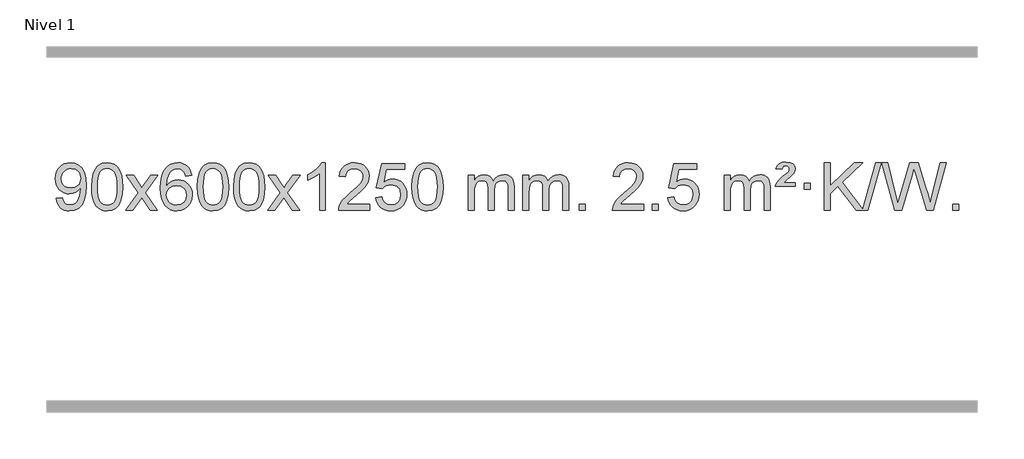
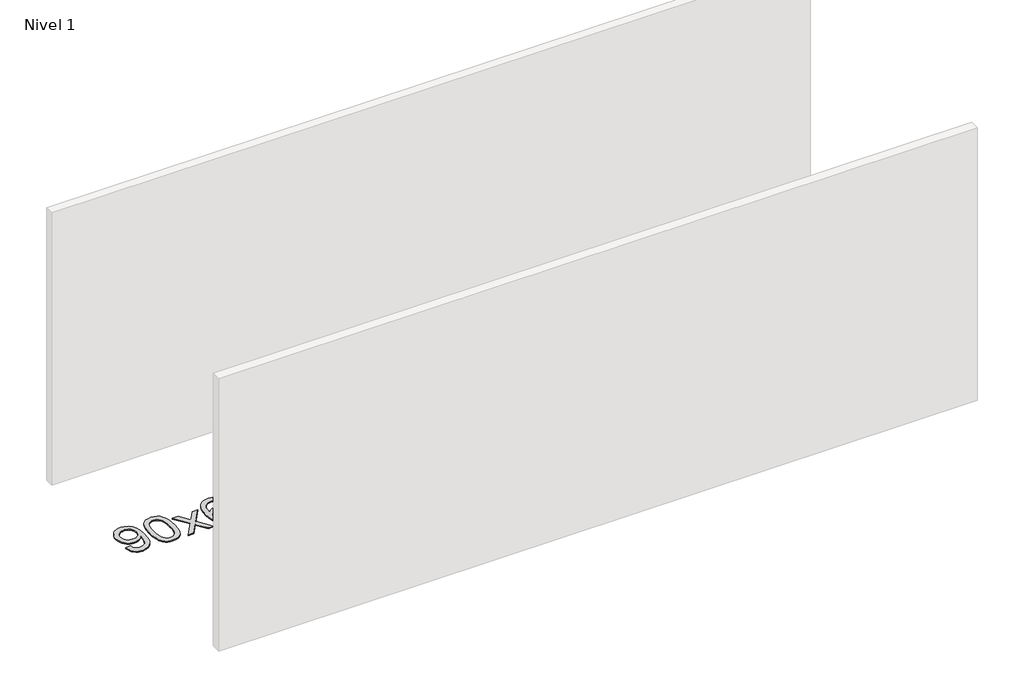
# One storey, part 5 of 9: 1 proxy.
"""IFC4 building model written with IfcOpenShell, lengths in millimetres."""

from ifc_helpers import new_model, si_unit, origin, origin_with_axes, place, context, project, spatial, polyline, outline, extrude, element, save

model = new_model("IFC4")

# Units and contexts
model_context = context("Model", 3, world=origin())
ifc_project = project(units=[si_unit("LENGTHUNIT", "METRE", prefix="MILLI")], contexts=[model_context])

# Site, building, storey
site = spatial("IfcSite", under=ifc_project)
building = spatial("IfcBuilding", under=site)
storey = spatial("IfcBuildingStorey", under=building, Name="Nivel 1", Elevation=0.0)

# Proxy
placement = place(None, origin())
element("IfcBuildingElementProxy", 1, Name="Texto de modelo 1", ObjectType="Texto de modelo 1", at=placement, inside=storey, context=model_context, shape_type="SweptSolid", body=[
    extrude(outline(polyline([(-6449.8911911, -9299.1231428), (-6399.663036, -9292.8446235), (-6391.0791228, -9321.3554781), (-6377.099607, -9340.7673847), (-6358.0678451, -9351.9142092), (-6334.3271937, -9355.6298173), (-6313.0268261, -9353.2385843), (-6293.6639705, -9346.0648854), (-6277.5752645, -9334.8935355), (-6266.0973463, -9320.5093495), (-6249.6652838, -9276.8540194), (-6244.2206303, -9248.4535294), (-6242.4057458, -9218.5815114), (-6242.7000514, -9208.7713248), (-6260.1008698, -9230.0103787), (-6282.8727653, -9246.8348486), (-6309.3725317, -9257.7977321), (-6337.9569627, -9261.4520265), (-6361.8171757, -9259.2202091), (-6383.7582711, -9252.5247568), (-6403.7802487, -9241.3656696), (-6421.8831085, -9225.7429475), (-6436.8834969, -9206.4720624), (-6447.59806, -9184.3684858), (-6454.0267978, -9159.4322179), (-6456.1697105, -9131.6632586), (-6453.9225646, -9102.968463), (-6447.181127, -9077.2167234), (-6435.9453978, -9054.4080397), (-6420.2153768, -9034.5424119), (-6401.1008415, -9018.4475746), (-6379.7115691, -9006.9512623), (-6356.0475598, -9000.0534749), (-6330.1088134, -8997.7542124), (-6292.6461636, -9003.0026622), (-6258.5435027, -9018.7480116), (-6230.0203853, -9044.2054457), (-6209.2963662, -9078.5901495), (-6196.6780138, -9126.1205032), (-6192.4718963, -9191.0148872), (-6196.6657511, -9259.821083), (-6209.2473153, -9313.0045568), (-6230.1062244, -9352.9688042), (-6243.5982966, -9368.8950289), (-6259.1321138, -9382.117321), (-6276.3949765, -9392.503856), (-6295.0741848, -9399.9228095), (-6336.6816384, -9405.8579724), (-6359.2389361, -9404.1074672), (-6379.62573, -9398.8559517), (-6397.8420201, -9390.1034259), (-6413.8878065, -9377.8498898), (-6427.3584189, -9362.4264372), (-6437.8491871, -9344.1641618), (-6445.3601112, -9323.0630637), (-6449.8911911, -9299.1231428)]), holes=[polyline([(-6242.7000514, -9130.4860363), (-6248.1201795, -9096.444689), (-6254.8953395, -9082.3670713), (-6264.3805636, -9070.2514909), (-6276.1098679, -9060.5087494), (-6289.6172685, -9053.5496483), (-6321.9663586, -9047.9823675), (-6339.5756435, -9049.4814866), (-6355.5171966, -9053.978844), (-6369.791018, -9061.4744396), (-6382.3971077, -9071.9682736), (-6392.6978036, -9084.8472091), (-6400.0554435, -9099.4981095), (-6404.4700274, -9115.9209749), (-6405.9415554, -9134.1158053), (-6400.3742745, -9165.1527829), (-6393.4151735, -9178.2708417), (-6383.6724319, -9189.7886139), (-6371.5507202, -9199.1665391), (-6357.4547084, -9205.8650571), (-6323.3397847, -9211.2238715), (-6291.248212, -9205.8650571), (-6265.4106332, -9189.7886139), (-6255.4747537, -9178.0439812), (-6248.3776969, -9164.2453407), (-6242.7000514, -9130.4860363)])]), origin_with_axes(), (0.0, 0.0, 1.0), 10.0),
    extrude(outline(polyline([(-6148.5222606, -9201.9041943), (-6144.8311779, -9137.5861588), (-6133.7579299, -9086.2911459), (-6115.4128811, -9047.2343407), (-6103.5548181, -9032.0009605), (-6089.9063961, -9019.6309284), (-6074.4216298, -9010.0598651), (-6057.0545339, -9003.2233914), (-6016.6733536, -8997.7542124), (-5985.722215, -9000.991574), (-5958.0084381, -9010.7036586), (-5934.8318724, -9026.5103217), (-5917.4923677, -9048.0314184), (-5904.3957686, -9075.0830078), (-5893.94792, -9107.4811488), (-5887.1053149, -9148.6226186), (-5884.8244465, -9201.9041943), (-5888.478741, -9265.8543477), (-5899.4416244, -9317.0267333), (-5917.6763087, -9356.1203266), (-5929.5067805, -9371.3996922), (-5943.1460055, -9383.8341036), (-5958.6491659, -9393.4695462), (-5976.071444, -9400.3520052), (-6016.6733536, -9405.8579724), (-6044.3380796, -9403.4667394), (-6068.8635459, -9396.2930405), (-6090.2497526, -9384.3368757), (-6108.4966996, -9367.5982449), (-6126.0078825, -9337.3399508), (-6138.5158704, -9299.6381776), (-6146.0206631, -9254.4929255), (-6148.5222606, -9201.9041943)]), holes=[polyline([(-6098.2941056, -9201.8060924), (-6096.8225776, -9245.4706195), (-6092.4079936, -9280.8148822), (-6085.0503537, -9307.8388804), (-6074.7496579, -9326.5426142), (-6062.290721, -9339.2682656), (-6048.4583579, -9348.3580165), (-6033.2525688, -9353.8118671), (-6016.6733536, -9355.6298173), (-6000.0941383, -9353.8057357), (-5984.8883492, -9348.3334911), (-5971.0559862, -9339.2130833), (-5958.5970493, -9326.4445124), (-5948.2963534, -9307.7101217), (-5940.9387135, -9280.6922549), (-5936.5241295, -9245.3909118), (-5935.0526016, -9201.8060924), (-5936.4750786, -9159.2973278), (-5940.7425098, -9124.5753989), (-5947.854895, -9097.6403055), (-5957.8122343, -9078.4920476), (-5970.0627048, -9065.1440625), (-5984.0544833, -9055.6097875), (-5999.78757, -9049.8892225), (-6017.2619648, -9047.9823675), (-6033.7553409, -9049.6623619), (-6048.7036126, -9054.7023452), (-6062.10678, -9063.1023175), (-6073.9648429, -9074.8622786), (-6084.6088953, -9095.708925), (-6092.2117899, -9123.8151094), (-6096.7735266, -9159.1808319), (-6098.2941056, -9201.8060924)])]), origin_with_axes(), (0.0, 0.0, 1.0), 10.0),
    extrude(outline(polyline([(-5859.7103689, -9399.579453), (-5752.3869282, -9251.2494325), (-5853.4318496, -9104.4890419), (-5793.0011005, -9104.4890419), (-5744.2444734, -9175.122385), (-5721.4848406, -9208.4770192), (-5701.7663657, -9181.2047007), (-5646.2407099, -9104.4890419), (-5585.8099608, -9104.4890419), (-5691.9561791, -9251.2494325), (-5589.7340354, -9399.579453), (-5650.1647845, -9399.579453), (-5711.6746541, -9310.4048574), (-5722.9563686, -9294.1199477), (-5799.2796199, -9399.579453), (-5859.7103689, -9399.579453)])), origin_with_axes(), (0.0, 0.0, 1.0), 10.0),
    extrude(outline(polyline([(-5300.9221437, -9104.4890419), (-5351.1502988, -9110.7675613), (-5359.2437027, -9085.874213), (-5370.1820607, -9068.8780648), (-5392.9662189, -9053.2062918), (-5420.5083176, -9047.9823675), (-5443.8565616, -9051.0235253), (-5465.8313794, -9060.1469988), (-5484.7037258, -9079.3627017), (-5500.1179814, -9105.8134171), (-5510.5290419, -9143.227016), (-5514.3918028, -9195.3313693), (-5494.2441322, -9171.8237098), (-5470.0988106, -9155.2567573), (-5443.3047386, -9145.434308), (-5415.2108169, -9142.1601582), (-5391.077758, -9144.398107), (-5368.8086346, -9151.1119534), (-5348.4034466, -9162.3016975), (-5329.862194, -9177.9673391), (-5314.4540698, -9197.1769106), (-5303.4482668, -9218.9984443), (-5296.844785, -9243.4319401), (-5294.6436244, -9270.4773982), (-5298.7884282, -9306.4439945), (-5311.2228396, -9339.786366), (-5330.9167891, -9368.0642287), (-5356.840207, -9388.8372987), (-5387.815871, -9401.602804), (-5422.6665587, -9405.8579724), (-5452.6090874, -9403.0375437), (-5479.6514797, -9394.5762579), (-5503.7937357, -9380.4741147), (-5525.0358552, -9360.7311143), (-5542.3539001, -9334.5133908), (-5554.7239322, -9300.9870783), (-5562.1459515, -9260.1521768), (-5564.6199579, -9212.0086864), (-5561.8731057, -9158.0342663), (-5553.632549, -9111.9693092), (-5539.8982878, -9073.8138149), (-5520.6703222, -9043.5677835), (-5499.8298072, -9023.5243462), (-5475.6660915, -9009.2076052), (-5448.179175, -9000.6175606), (-5417.3690579, -8997.7542124), (-5394.2354118, -8999.5261773), (-5373.2967949, -9004.8420722), (-5354.5532073, -9013.7018969), (-5338.0046489, -9026.1056515), (-5324.0987094, -9041.6364031), (-5313.2829788, -9059.8772186), (-5305.5574569, -9080.8280983), (-5300.9221437, -9104.4890419)]), holes=[polyline([(-5514.3918028, -9269.6925832), (-5511.485535, -9291.9494439), (-5502.7667318, -9313.2007605), (-5489.2286743, -9331.472233), (-5471.8646442, -9344.7895612), (-5450.9076332, -9352.9197533), (-5426.5906333, -9355.6298173), (-5393.4444655, -9350.0134855), (-5379.5293291, -9342.9930708), (-5367.3861575, -9333.1644901), (-5357.5361171, -9320.9262824), (-5350.500374, -9306.6769865), (-5344.8717794, -9272.1451299), (-5350.4267976, -9238.9989621), (-5357.3705702, -9225.3781312), (-5367.0918519, -9213.725469), (-5379.2718117, -9204.3904634), (-5393.5916183, -9197.7226022), (-5428.6507725, -9192.3883133), (-5461.7478893, -9197.7226022), (-5489.4248781, -9213.725469), (-5500.3479076, -9225.2248471), (-5508.1500716, -9238.3858254), (-5512.83137, -9253.2084042), (-5514.3918028, -9269.6925832)])]), origin_with_axes(), (0.0, 0.0, 1.0), 10.0),
    extrude(outline(polyline([(-5250.6939887, -9201.9041943), (-5247.002906, -9137.5861588), (-5235.9296579, -9086.2911459), (-5217.5846091, -9047.2343407), (-5205.7265461, -9032.0009605), (-5192.0781241, -9019.6309284), (-5176.5933578, -9010.0598651), (-5159.2262619, -9003.2233914), (-5118.8450816, -8997.7542124), (-5087.8939431, -9000.991574), (-5060.1801661, -9010.7036586), (-5037.0036004, -9026.5103217), (-5019.6640957, -9048.0314184), (-5006.5674967, -9075.0830078), (-4996.119648, -9107.4811488), (-4989.2770429, -9148.6226186), (-4986.9961745, -9201.9041943), (-4990.650469, -9265.8543477), (-5001.6133525, -9317.0267333), (-5019.8480367, -9356.1203266), (-5031.6785085, -9371.3996922), (-5045.3177335, -9383.8341036), (-5060.8208939, -9393.4695462), (-5078.2431721, -9400.3520052), (-5118.8450816, -9405.8579724), (-5146.5098076, -9403.4667394), (-5171.035274, -9396.2930405), (-5192.4214806, -9384.3368757), (-5210.6684276, -9367.5982449), (-5228.1796106, -9337.3399508), (-5240.6875984, -9299.6381776), (-5248.1923911, -9254.4929255), (-5250.6939887, -9201.9041943)]), holes=[polyline([(-5200.4658336, -9201.8060924), (-5198.9943056, -9245.4706195), (-5194.5797217, -9280.8148822), (-5187.2220818, -9307.8388804), (-5176.9213859, -9326.5426142), (-5164.462449, -9339.2682656), (-5150.630086, -9348.3580165), (-5135.4242968, -9353.8118671), (-5118.8450816, -9355.6298173), (-5102.2658663, -9353.8057357), (-5087.0600772, -9348.3334911), (-5073.2277142, -9339.2130833), (-5060.7687773, -9326.4445124), (-5050.4680814, -9307.7101217), (-5043.1104415, -9280.6922549), (-5038.6958576, -9245.3909118), (-5037.2243296, -9201.8060924), (-5038.6468066, -9159.2973278), (-5042.9142378, -9124.5753989), (-5050.026623, -9097.6403055), (-5059.9839624, -9078.4920476), (-5072.2344328, -9065.1440625), (-5086.2262114, -9055.6097875), (-5101.959298, -9049.8892225), (-5119.4336928, -9047.9823675), (-5135.9270689, -9049.6623619), (-5150.8753406, -9054.7023452), (-5164.278508, -9063.1023175), (-5176.136571, -9074.8622786), (-5186.7806234, -9095.708925), (-5194.3835179, -9123.8151094), (-5198.9452547, -9159.1808319), (-5200.4658336, -9201.8060924)])]), origin_with_axes(), (0.0, 0.0, 1.0), 10.0),
    extrude(outline(polyline([(-4943.0465388, -9201.9041943), (-4939.3554561, -9137.5861588), (-4928.2822081, -9086.2911459), (-4909.9371593, -9047.2343407), (-4898.0790963, -9032.0009605), (-4884.4306743, -9019.6309284), (-4868.945908, -9010.0598651), (-4851.5788121, -9003.2233914), (-4811.1976318, -8997.7542124), (-4780.2464932, -9000.991574), (-4752.5327163, -9010.7036586), (-4729.3561506, -9026.5103217), (-4712.0166459, -9048.0314184), (-4698.9200468, -9075.0830078), (-4688.4721982, -9107.4811488), (-4681.6295931, -9148.6226186), (-4679.3487247, -9201.9041943), (-4683.0030192, -9265.8543477), (-4693.9659026, -9317.0267333), (-4712.2005869, -9356.1203266), (-4724.0310587, -9371.3996922), (-4737.6702837, -9383.8341036), (-4753.1734441, -9393.4695462), (-4770.5957222, -9400.3520052), (-4811.1976318, -9405.8579724), (-4838.8623578, -9403.4667394), (-4863.3878241, -9396.2930405), (-4884.7740308, -9384.3368757), (-4903.0209778, -9367.5982449), (-4920.5321607, -9337.3399508), (-4933.0401486, -9299.6381776), (-4940.5449413, -9254.4929255), (-4943.0465388, -9201.9041943)]), holes=[polyline([(-4892.8183838, -9201.8060924), (-4891.3468558, -9245.4706195), (-4886.9322718, -9280.8148822), (-4879.5746319, -9307.8388804), (-4869.2739361, -9326.5426142), (-4856.8149992, -9339.2682656), (-4842.9826361, -9348.3580165), (-4827.776847, -9353.8118671), (-4811.1976318, -9355.6298173), (-4794.6184165, -9353.8057357), (-4779.4126274, -9348.3334911), (-4765.5802644, -9339.2130833), (-4753.1213275, -9326.4445124), (-4742.8206316, -9307.7101217), (-4735.4629917, -9280.6922549), (-4731.0484077, -9245.3909118), (-4729.5768798, -9201.8060924), (-4730.9993568, -9159.2973278), (-4735.266788, -9124.5753989), (-4742.3791732, -9097.6403055), (-4752.3365125, -9078.4920476), (-4764.586983, -9065.1440625), (-4778.5787615, -9055.6097875), (-4794.3118482, -9049.8892225), (-4811.786243, -9047.9823675), (-4828.2796191, -9049.6623619), (-4843.2278908, -9054.7023452), (-4856.6310582, -9063.1023175), (-4868.4891211, -9074.8622786), (-4879.1331735, -9095.708925), (-4886.7360681, -9123.8151094), (-4891.2978048, -9159.1808319), (-4892.8183838, -9201.8060924)])]), origin_with_axes(), (0.0, 0.0, 1.0), 10.0),
    extrude(outline(polyline([(-4654.2346472, -9399.579453), (-4546.9112064, -9251.2494325), (-4647.9561278, -9104.4890419), (-4587.5253787, -9104.4890419), (-4538.7687516, -9175.122385), (-4516.0091188, -9208.4770192), (-4496.2906439, -9181.2047007), (-4440.7649881, -9104.4890419), (-4380.334239, -9104.4890419), (-4486.4804574, -9251.2494325), (-4384.2583136, -9399.579453), (-4444.6890627, -9399.579453), (-4506.1989323, -9310.4048574), (-4517.4806468, -9294.1199477), (-4593.8038981, -9399.579453), (-4654.2346472, -9399.579453)])), origin_with_axes(), (0.0, 0.0, 1.0), 10.0),
    extrude(outline(polyline([(-4164.5101352, -9399.579453), (-4214.7382902, -9399.579453), (-4214.7382902, -9086.4382987), (-4235.707564, -9103.3976587), (-4262.317695, -9120.3324932), (-4315.1946004, -9145.6918254), (-4315.1946004, -9098.2105225), (-4275.7453878, -9076.7507395), (-4241.5691504, -9051.219729), (-4214.6279257, -9024.0700378), (-4196.8837508, -8997.7542124), (-4164.5101352, -8997.7542124), (-4164.5101352, -9399.579453)])), origin_with_axes(), (0.0, 0.0, 1.0), 10.0),
    extrude(outline(polyline([(-3787.7989721, -9349.3512979), (-3787.7989721, -9399.579453), (-4051.4967863, -9399.579453), (-4050.3931403, -9381.8965918), (-4046.1011837, -9364.9494945), (-4033.7158232, -9337.8856424), (-4015.5915035, -9311.6311307), (-3989.37378, -9284.1503456), (-3952.7082078, -9253.4076736), (-3898.5069272, -9205.2641831), (-3865.9861588, -9169.7267824), (-3849.7257746, -9140.884834), (-3844.3056466, -9112.8277005), (-3849.4192063, -9087.6768347), (-3864.7598855, -9066.7688747), (-3888.3411214, -9052.6789943), (-3918.1763512, -9047.9823675), (-3949.5076345, -9052.5686297), (-3973.8491598, -9066.3274163), (-3989.557721, -9088.1796068), (-3994.9901118, -9117.0460807), (-4045.2182669, -9110.7675613), (-4040.8987191, -9084.838012), (-4033.0413728, -9062.1826125), (-4021.646228, -9042.8013627), (-4006.7132847, -9026.6942627), (-3988.5858994, -9014.0329907), (-3967.6074286, -9004.989225), (-3943.7778724, -8999.5629655), (-3917.0972307, -8997.7542124), (-3890.1774657, -8999.7653006), (-3866.2191508, -9005.7985654), (-3845.2222859, -9015.8540066), (-3827.1868711, -9029.9316242), (-3812.7015175, -9046.9890861), (-3802.3548364, -9065.9840598), (-3796.1468277, -9086.9165453), (-3794.0774915, -9109.7865427), (-3796.3093089, -9133.8092369), (-3803.0047612, -9157.4149983), (-3814.8873497, -9181.4254299), (-3832.6805755, -9206.6621347), (-3861.0442774, -9236.7916701), (-3904.6382938, -9275.4805933), (-3962.4202925, -9323.795762), (-3985.0818234, -9349.3512979), (-3787.7989721, -9349.3512979)])), origin_with_axes(), (0.0, 0.0, 1.0), 10.0),
    extrude(outline(polyline([(-3737.570817, -9292.8446235), (-3687.342662, -9286.5661041), (-3678.1210866, -9316.7201649), (-3662.0323807, -9338.3148381), (-3639.1501206, -9351.3010725), (-3609.5478827, -9355.6298173), (-3590.418019, -9354.1245668), (-3573.5444981, -9349.6088153), (-3558.9273202, -9342.0825628), (-3546.5664851, -9331.5458094), (-3536.7379045, -9318.519721), (-3529.7174898, -9303.5254641), (-3524.101158, -9267.6324441), (-3529.3618705, -9233.8363514), (-3535.9377612, -9219.9181493), (-3545.1440081, -9207.9865099), (-3557.0112681, -9198.4154467), (-3571.5701981, -9191.5789729), (-3608.7630678, -9186.1097939), (-3633.1291186, -9188.2925604), (-3652.8598563, -9194.8408599), (-3668.6174684, -9204.8717757), (-3681.0641426, -9217.5023908), (-3731.2922977, -9211.2238715), (-3687.342662, -9004.0327318), (-3492.708561, -9004.0327318), (-3492.708561, -9054.2608869), (-3646.7284897, -9054.2608869), (-3668.2127982, -9164.919791), (-3650.4870174, -9152.2155994), (-3632.332041, -9143.1411769), (-3613.7478688, -9137.6965234), (-3594.734501, -9135.8816388), (-3570.273414, -9138.1318504), (-3547.8050212, -9144.882485), (-3527.3293225, -9156.1335427), (-3508.8463179, -9171.8850234), (-3493.5454926, -9191.1743027), (-3482.6163316, -9213.038756), (-3476.0588351, -9237.4783832), (-3473.8730029, -9264.4931844), (-3475.8411716, -9290.5147042), (-3481.7456776, -9314.7213394), (-3491.586521, -9337.1130902), (-3505.3637017, -9357.6899565), (-3526.2348735, -9378.7634634), (-3550.5886616, -9393.8159684), (-3578.4250659, -9402.8474714), (-3609.7440864, -9405.8579724), (-3635.6644387, -9403.9235262), (-3659.077062, -9398.1201877), (-3679.9819564, -9388.447957), (-3698.3791218, -9374.9068338), (-3713.6860785, -9358.1712688), (-3725.3203466, -9338.915712), (-3733.2819261, -9317.1401636), (-3737.570817, -9292.8446235)])), origin_with_axes(), (0.0, 0.0, 1.0), 10.0),
    extrude(outline(polyline([(-3429.9233672, -9201.9041943), (-3426.2322845, -9137.5861588), (-3415.1590365, -9086.2911459), (-3396.8139876, -9047.2343407), (-3384.9559247, -9032.0009605), (-3371.3075026, -9019.6309284), (-3355.8227363, -9010.0598651), (-3338.4556405, -9003.2233914), (-3298.0744601, -8997.7542124), (-3267.1233216, -9000.991574), (-3239.4095446, -9010.7036586), (-3216.2329789, -9026.5103217), (-3198.8934742, -9048.0314184), (-3185.7968752, -9075.0830078), (-3175.3490265, -9107.4811488), (-3168.5064214, -9148.6226186), (-3166.2255531, -9201.9041943), (-3169.8798475, -9265.8543477), (-3180.842731, -9317.0267333), (-3199.0774152, -9356.1203266), (-3210.9078871, -9371.3996922), (-3224.547112, -9383.8341036), (-3240.0502724, -9393.4695462), (-3257.4725506, -9400.3520052), (-3298.0744601, -9405.8579724), (-3325.7391862, -9403.4667394), (-3350.2646525, -9396.2930405), (-3371.6508592, -9384.3368757), (-3389.8978061, -9367.5982449), (-3407.4089891, -9337.3399508), (-3419.9169769, -9299.6381776), (-3427.4217696, -9254.4929255), (-3429.9233672, -9201.9041943)]), holes=[polyline([(-3379.6952121, -9201.8060924), (-3378.2236842, -9245.4706195), (-3373.8091002, -9280.8148822), (-3366.4514603, -9307.8388804), (-3356.1507644, -9326.5426142), (-3343.6918275, -9339.2682656), (-3329.8594645, -9348.3580165), (-3314.6536754, -9353.8118671), (-3298.0744601, -9355.6298173), (-3281.4952449, -9353.8057357), (-3266.2894558, -9348.3334911), (-3252.4570927, -9339.2130833), (-3239.9981558, -9326.4445124), (-3229.69746, -9307.7101217), (-3222.3398201, -9280.6922549), (-3217.9252361, -9245.3909118), (-3216.4537081, -9201.8060924), (-3217.8761852, -9159.2973278), (-3222.1436163, -9124.5753989), (-3229.2560016, -9097.6403055), (-3239.2133409, -9078.4920476), (-3251.4638113, -9065.1440625), (-3265.4555899, -9055.6097875), (-3281.1886766, -9049.8892225), (-3298.6630713, -9047.9823675), (-3315.1564474, -9049.6623619), (-3330.1047192, -9054.7023452), (-3343.5078865, -9063.1023175), (-3355.3659495, -9074.8622786), (-3366.0100019, -9095.708925), (-3373.6128965, -9123.8151094), (-3378.1746332, -9159.1808319), (-3379.6952121, -9201.8060924)])]), origin_with_axes(), (0.0, 0.0, 1.0), 10.0),
    extrude(outline(polyline([(-2952.755894, -9399.579453), (-2952.755894, -9104.4890419), (-2902.5277389, -9104.4890419), (-2902.5277389, -9153.0494653), (-2887.4200517, -9130.7435537), (-2867.9958823, -9113.2691589), (-2844.9174185, -9101.9751816), (-2818.8468478, -9098.2105225), (-2790.9123416, -9102.048758), (-2768.5205908, -9113.5634645), (-2751.7942228, -9131.9943524), (-2740.8558648, -9156.5811324), (-2722.5476041, -9131.0439906), (-2701.6641696, -9112.803175), (-2678.205561, -9101.8586857), (-2652.1717785, -9098.2105225), (-2632.0639617, -9099.7280358), (-2614.414823, -9104.2805755), (-2599.2243623, -9111.8681416), (-2586.4925796, -9122.4907342), (-2576.4279413, -9136.2709806), (-2569.238914, -9153.3315082), (-2564.9254976, -9173.6723168), (-2563.4876922, -9197.2934066), (-2563.4876922, -9399.579453), (-2613.7158472, -9399.579453), (-2613.7158472, -9218.875817), (-2614.8808069, -9193.8230531), (-2618.3756858, -9176.9372695), (-2624.9239854, -9165.3735121), (-2635.2492067, -9156.2868268), (-2648.5297467, -9150.4007149), (-2663.9440023, -9148.4386776), (-2691.1550072, -9153.4663982), (-2713.3382915, -9168.54956), (-2721.9436645, -9180.1194488), (-2728.0903595, -9194.7182326), (-2733.0077155, -9233.0024856), (-2733.0077155, -9399.579453), (-2783.2358706, -9399.579453), (-2783.2358706, -9213.2840106), (-2786.1421384, -9184.8835206), (-2794.8609417, -9164.6254854), (-2810.2016209, -9152.4853796), (-2832.9735164, -9148.4386776), (-2852.3241093, -9151.1364789), (-2870.1541233, -9159.2298828), (-2884.8694032, -9172.5226856), (-2894.8757934, -9190.8186835), (-2900.6147525, -9216.2025411), (-2902.5277389, -9250.7589232), (-2902.5277389, -9399.579453), (-2952.755894, -9399.579453)])), origin_with_axes(), (0.0, 0.0, 1.0), 10.0),
    extrude(outline(polyline([(-2488.1454596, -9399.579453), (-2488.1454596, -9104.4890419), (-2437.9173045, -9104.4890419), (-2437.9173045, -9153.0494653), (-2422.8096172, -9130.7435537), (-2403.3854479, -9113.2691589), (-2380.306984, -9101.9751816), (-2354.2364133, -9098.2105225), (-2326.3019071, -9102.048758), (-2303.9101564, -9113.5634645), (-2287.1837883, -9131.9943524), (-2276.2454303, -9156.5811324), (-2257.9371697, -9131.0439906), (-2237.0537351, -9112.803175), (-2213.5951266, -9101.8586857), (-2187.561344, -9098.2105225), (-2167.4535273, -9099.7280358), (-2149.8043886, -9104.2805755), (-2134.6139279, -9111.8681416), (-2121.8821452, -9122.4907342), (-2111.8175069, -9136.2709806), (-2104.6284796, -9153.3315082), (-2100.3150632, -9173.6723168), (-2098.8772577, -9197.2934066), (-2098.8772577, -9399.579453), (-2149.1054128, -9399.579453), (-2149.1054128, -9218.875817), (-2150.2703724, -9193.8230531), (-2153.7652514, -9176.9372695), (-2160.3135509, -9165.3735121), (-2170.6387722, -9156.2868268), (-2183.9193123, -9150.4007149), (-2199.3335679, -9148.4386776), (-2226.5445728, -9153.4663982), (-2248.7278571, -9168.54956), (-2257.3332301, -9180.1194488), (-2263.4799251, -9194.7182326), (-2268.3972811, -9233.0024856), (-2268.3972811, -9399.579453), (-2318.6254362, -9399.579453), (-2318.6254362, -9213.2840106), (-2321.5317039, -9184.8835206), (-2330.2505072, -9164.6254854), (-2345.5911864, -9152.4853796), (-2368.3630819, -9148.4386776), (-2387.7136749, -9151.1364789), (-2405.5436889, -9159.2298828), (-2420.2589687, -9172.5226856), (-2430.265359, -9190.8186835), (-2436.0043181, -9216.2025411), (-2437.9173045, -9250.7589232), (-2437.9173045, -9399.579453), (-2488.1454596, -9399.579453)])), origin_with_axes(), (0.0, 0.0, 1.0), 10.0),
    extrude(outline(polyline([(-2010.9779863, -9399.579453), (-2010.9779863, -9349.3512979), (-1960.7498313, -9349.3512979), (-1960.7498313, -9399.579453), (-2010.9779863, -9399.579453)])), origin_with_axes(), (0.0, 0.0, 1.0), 10.0),
    extrude(outline(polyline([(-1464.7467999, -9349.3512979), (-1464.7467999, -9399.579453), (-1728.444614, -9399.579453), (-1727.3409681, -9381.8965918), (-1723.0490115, -9364.9494945), (-1710.6636509, -9337.8856424), (-1692.5393313, -9311.6311307), (-1666.3216078, -9284.1503456), (-1629.6560356, -9253.4076736), (-1575.454755, -9205.2641831), (-1542.9339866, -9169.7267824), (-1526.6736024, -9140.884834), (-1521.2534744, -9112.8277005), (-1526.3670341, -9087.6768347), (-1541.7077133, -9066.7688747), (-1565.2889492, -9052.6789943), (-1595.124179, -9047.9823675), (-1626.4554623, -9052.5686297), (-1650.7969876, -9066.3274163), (-1666.5055488, -9088.1796068), (-1671.9379396, -9117.0460807), (-1722.1660947, -9110.7675613), (-1717.8465469, -9084.838012), (-1709.9892006, -9062.1826125), (-1698.5940558, -9042.8013627), (-1683.6611125, -9026.6942627), (-1665.5337272, -9014.0329907), (-1644.5552564, -9004.989225), (-1620.7257002, -8999.5629655), (-1594.0450585, -8997.7542124), (-1567.1252935, -8999.7653006), (-1543.1669785, -9005.7985654), (-1522.1701137, -9015.8540066), (-1504.1346989, -9029.9316242), (-1489.6493453, -9046.9890861), (-1479.3026642, -9065.9840598), (-1473.0946555, -9086.9165453), (-1471.0253193, -9109.7865427), (-1473.2571367, -9133.8092369), (-1479.952589, -9157.4149983), (-1491.8351775, -9181.4254299), (-1509.6284033, -9206.6621347), (-1537.9921051, -9236.7916701), (-1581.5861216, -9275.4805933), (-1639.3681203, -9323.795762), (-1662.0296512, -9349.3512979), (-1464.7467999, -9349.3512979)])), origin_with_axes(), (0.0, 0.0, 1.0), 10.0),
    extrude(outline(polyline([(-1389.4045673, -9399.579453), (-1389.4045673, -9349.3512979), (-1339.1764122, -9349.3512979), (-1339.1764122, -9399.579453), (-1389.4045673, -9399.579453)])), origin_with_axes(), (0.0, 0.0, 1.0), 10.0),
    extrude(outline(polyline([(-1257.5556602, -9292.8446235), (-1207.3275051, -9286.5661041), (-1198.1059298, -9316.7201649), (-1182.0172239, -9338.3148381), (-1159.1349638, -9351.3010725), (-1129.5327259, -9355.6298173), (-1110.4028621, -9354.1245668), (-1093.5293413, -9349.6088153), (-1078.9121634, -9342.0825628), (-1066.5513283, -9331.5458094), (-1056.7227477, -9318.519721), (-1049.7023329, -9303.5254641), (-1044.0860012, -9267.6324441), (-1049.3467137, -9233.8363514), (-1055.9226043, -9219.9181493), (-1065.1288513, -9207.9865099), (-1076.9961113, -9198.4154467), (-1091.5550413, -9191.5789729), (-1128.747911, -9186.1097939), (-1153.1139618, -9188.2925604), (-1172.8446995, -9194.8408599), (-1188.6023116, -9204.8717757), (-1201.0489858, -9217.5023908), (-1251.2771408, -9211.2238715), (-1207.3275051, -9004.0327318), (-1012.6934042, -9004.0327318), (-1012.6934042, -9054.2608869), (-1166.7133329, -9054.2608869), (-1188.1976414, -9164.919791), (-1170.4718606, -9152.2155994), (-1152.3168841, -9143.1411769), (-1133.732712, -9137.6965234), (-1114.7193442, -9135.8816388), (-1090.2582572, -9138.1318504), (-1067.7898644, -9144.882485), (-1047.3141657, -9156.1335427), (-1028.8311611, -9171.8850234), (-1013.5303358, -9191.1743027), (-1002.6011748, -9213.038756), (-996.0436783, -9237.4783832), (-993.8578461, -9264.4931844), (-995.8260148, -9290.5147042), (-1001.7305208, -9314.7213394), (-1011.5713641, -9337.1130902), (-1025.3485449, -9357.6899565), (-1046.2197167, -9378.7634634), (-1070.5735048, -9393.8159684), (-1098.4099091, -9402.8474714), (-1129.7289296, -9405.8579724), (-1155.6492819, -9403.9235262), (-1179.0619052, -9398.1201877), (-1199.9667996, -9388.447957), (-1218.363965, -9374.9068338), (-1233.6709217, -9358.1712688), (-1245.3051898, -9338.915712), (-1253.2667693, -9317.1401636), (-1257.5556602, -9292.8446235)])), origin_with_axes(), (0.0, 0.0, 1.0), 10.0),
    extrude(outline(polyline([(-780.388187, -9399.579453), (-780.388187, -9104.4890419), (-730.1600319, -9104.4890419), (-730.1600319, -9153.0494653), (-715.0523447, -9130.7435537), (-695.6281753, -9113.2691589), (-672.5497115, -9101.9751816), (-646.4791408, -9098.2105225), (-618.5446346, -9102.048758), (-596.1528838, -9113.5634645), (-579.4265158, -9131.9943524), (-568.4881578, -9156.5811324), (-550.1798972, -9131.0439906), (-529.2964626, -9112.803175), (-505.837854, -9101.8586857), (-479.8040715, -9098.2105225), (-459.6962548, -9099.7280358), (-442.047116, -9104.2805755), (-426.8566553, -9111.8681416), (-414.1248726, -9122.4907342), (-404.0602344, -9136.2709806), (-396.871207, -9153.3315082), (-392.5577906, -9173.6723168), (-391.1199852, -9197.2934066), (-391.1199852, -9399.579453), (-441.3481403, -9399.579453), (-441.3481403, -9218.875817), (-442.5130999, -9193.8230531), (-446.0079789, -9176.9372695), (-452.5562784, -9165.3735121), (-462.8814997, -9156.2868268), (-476.1620397, -9150.4007149), (-491.5762953, -9148.4386776), (-518.7873002, -9153.4663982), (-540.9705845, -9168.54956), (-549.5759576, -9180.1194488), (-555.7226526, -9194.7182326), (-560.6400086, -9233.0024856), (-560.6400086, -9399.579453), (-610.8681636, -9399.579453), (-610.8681636, -9213.2840106), (-613.7744314, -9184.8835206), (-622.4932347, -9164.6254854), (-637.8339139, -9152.4853796), (-660.6058094, -9148.4386776), (-679.9564023, -9151.1364789), (-697.7864164, -9159.2298828), (-712.5016962, -9172.5226856), (-722.5080864, -9190.8186835), (-728.2470456, -9216.2025411), (-730.1600319, -9250.7589232), (-730.1600319, -9399.579453), (-780.388187, -9399.579453)])), origin_with_axes(), (0.0, 0.0, 1.0), 10.0),
    extrude(outline(polyline([(-347.1703495, -9198.6668327), (-343.3443767, -9182.8479069), (-335.0057182, -9166.9799302), (-313.4968842, -9141.8413272), (-281.5402016, -9114.1030247), (-237.3943621, -9076.726214), (-230.2574514, -9065.1992448), (-227.8784812, -9053.3779701), (-229.7669421, -9041.2869152), (-235.4323248, -9031.5012541), (-244.801053, -9025.026531), (-257.7995501, -9022.8682899), (-270.2339616, -9024.4869707), (-279.0876549, -9029.343013), (-285.5133271, -9038.8098431), (-290.663675, -9054.2608869), (-340.8918301, -9047.9823675), (-330.051574, -9022.7701881), (-313.4233078, -9005.2099542), (-289.6581309, -8994.9092583), (-257.4071427, -8991.475693), (-221.6244873, -8995.6082341), (-196.8782917, -9008.0058573), (-182.4573175, -9026.3386434), (-177.6503261, -9048.2766731), (-181.746079, -9071.1834586), (-194.0333376, -9092.8149199), (-214.561153, -9112.6314968), (-251.0305214, -9140.6886303), (-276.6351083, -9167.2742358), (-177.6503261, -9167.2742358), (-177.6503261, -9198.6668327), (-347.1703495, -9198.6668327)])), origin_with_axes(), (0.0, 0.0, 1.0), 10.0),
    extrude(outline(polyline([(-102.3080935, -9223.7809102), (-102.3080935, -9173.5527552), (-52.0799384, -9173.5527552), (-52.0799384, -9223.7809102), (-102.3080935, -9223.7809102)])), origin_with_axes(), (0.0, 0.0, 1.0), 10.0),
    extrude(outline(polyline([(338.5616895, -9399.579453), (185.1303721, -9196.9009991), (117.440085, -9261.4520265), (117.440085, -9399.579453), (67.2119299, -9399.579453), (67.2119299, -8997.7542124), (117.440085, -8997.7542124), (117.440085, -9194.4484525), (323.4540023, -8997.7542124), (393.6949379, -8997.7542124), (220.7413492, -9162.9577537), (395.3949591, -9393.5349332), (506.7082868, -8997.7542124), (552.0313486, -8997.7542124), (439.0179997, -9399.579453), (399.9734572, -9399.579453), (393.6949379, -9399.579453), (338.5616895, -9399.579453)])), origin_with_axes(), (0.0, 0.0, 1.0), 10.0),
    extrude(outline(polyline([(666.5162255, -9399.579453), (556.9364419, -8997.7542124), (608.7342268, -8997.7542124), (672.3042355, -9261.844434), (691.9246086, -9343.3670841), (712.9184078, -9271.2622131), (792.5771225, -8997.7542124), (867.2326421, -8997.7542124), (925.1127426, -9196.0180823), (949.9079891, -9269.5944814), (968.1794615, -9343.3670841), (987.2112234, -9264.1988788), (1051.3698434, -8997.7542124), (1103.1676283, -8997.7542124), (993.4897428, -9399.579453), (939.8280224, -9399.579453), (843.4919906, -9089.5775584), (830.0520351, -9046.3146358), (814.9443478, -9098.4067263), (727.1431783, -9399.579453), (666.5162255, -9399.579453)])), origin_with_axes(), (0.0, 0.0, 1.0), 10.0),
    extrude(outline(polyline([(1159.6743028, -9399.579453), (1159.6743028, -9349.3512979), (1209.9024578, -9349.3512979), (1209.9024578, -9399.579453), (1159.6743028, -9399.579453)])), origin_with_axes(), (0.0, 0.0, 1.0), 10.0),
])

save(model, "model.ifc")
